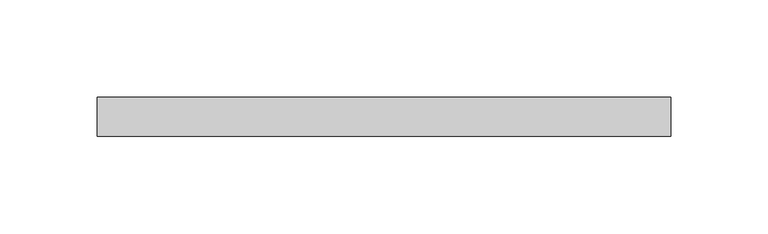
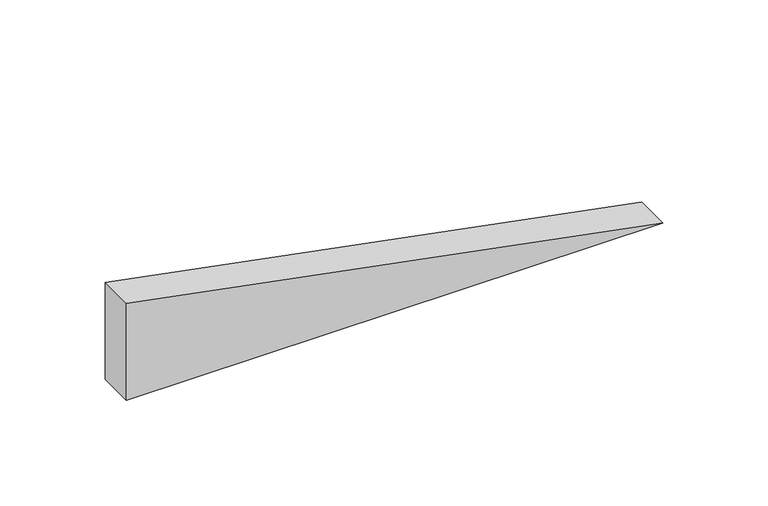
"""IFC4 building model written with IfcOpenShell, lengths in millimetres: plate geometry."""

from ifc_helpers import new_model, si_unit, frame, origin, place, context, project, spatial, polyline, outline, extrude, source, transform, mapped, element, save


def plate_f9ea2a81(model_context):
    return source(origin(), model_context, "Body", "SweptSolid", [
        extrude(outline(polyline([(0.0, -146.9814583), (0.0, 146.9814583), (56.2363841, -146.9814583), (0.0, -146.9814583)])), frame((0.0, 20.0, 0.0), z_axis=(0.0, 1.0, 0.0), x_axis=(0.0, 0.0, 1.0)), (0.0, 0.0, 1.0), 20.0),
    ])


if __name__ == "__main__":
    model = new_model("IFC4")
    model_context = context("Model", 3, world=origin())
    ifc_project = project(units=[si_unit("LENGTHUNIT", "METRE", prefix="MILLI")], contexts=[model_context])
    site = spatial("IfcSite", under=ifc_project)
    building = spatial("IfcBuilding", under=site)
    placement = place(None, origin())
    plate_shape = plate_f9ea2a81(model_context)
    element("IfcPlate", 1, at=placement, inside=building, context=model_context, shape_type="MappedRepresentation", body=[
        mapped(plate_shape, transform((0.0, 0.0, 0.0), x_axis=(1.0, 0.0, 0.0), y_axis=(0.0, 1.0, 0.0), z_axis=(0.0, 0.0, 1.0))),
    ])
    save(model, "model.ifc")
